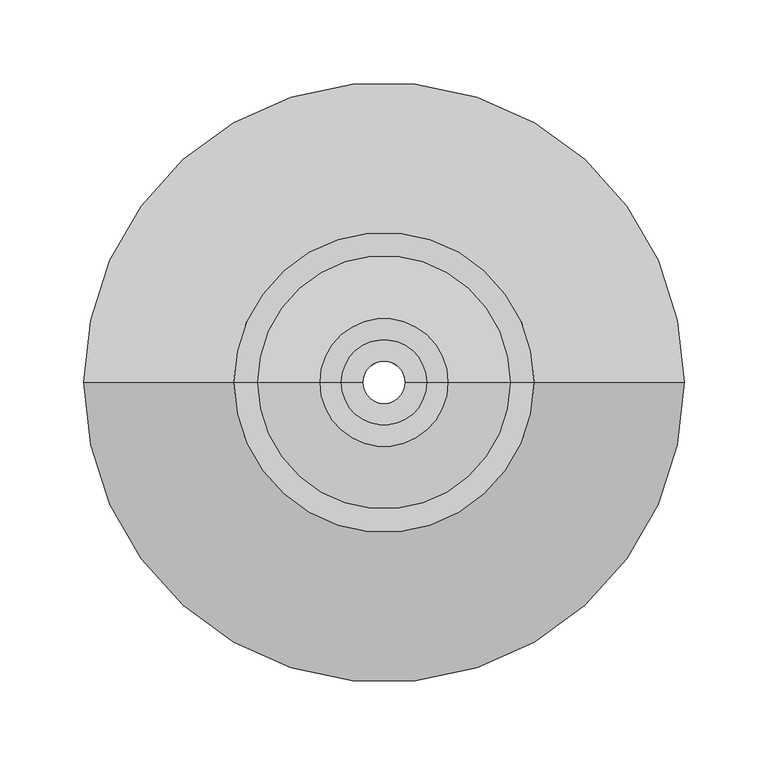
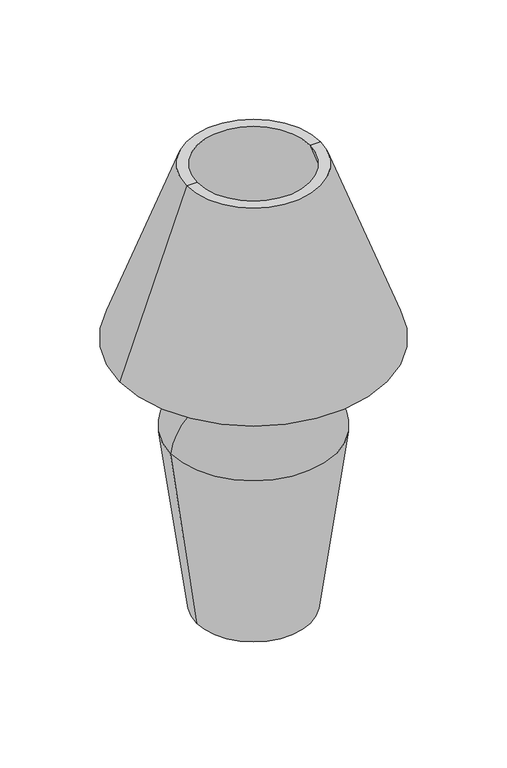
"""IFC4 building model written with IfcOpenShell, lengths in millimetres: light fixture geometry."""

from ifc_helpers import new_model, si_unit, point, frame, origin, origin_with_axes, place, context, project, spatial, polyline, circle_curve, ellipse_curve, trimmed, source, transform, mapped, element, save
from ifc_brep_helpers import plane_surface, cylinder_surface, revolved_surface, advanced_brep


def light_fixture_6e8cd8b1(model_context):
    return source(origin(), model_context, "Body", "AdvancedBrep", [
        advanced_brep(
        [(-164.7317588, 0.0, 376.8232721), (164.7317588, 0.0, 376.8232721), (75.4334235, 0.0, 622.168432), (-75.4334235, 0.0, 622.168432), (-178.6712043, 0.0, 376.8232721), (178.6712043, 0.0, 376.8232721), (-89.372869, 0.0, 622.168432), (89.372869, 0.0, 622.168432)],
        [
            (0, 1, circle_curve(frame((0.0, 0.0, 376.8232721), z_axis=(0.0, 0.0, -1.0), x_axis=(1.0, 0.0, 0.0)), 164.7317588)),
            (1, 2),
            (2, 3, circle_curve(frame((0.0, 0.0, 622.168432), z_axis=(0.0, 0.0, 1.0), x_axis=(1.0, 0.0, 0.0)), 75.4334235)),
            (3, 0),
            (1, 0, circle_curve(frame((0.0, 0.0, 376.8232721), z_axis=(0.0, 0.0, -1.0), x_axis=(1.0, 0.0, 0.0)), 164.7317588)),
            (3, 2, circle_curve(frame((0.0, 0.0, 622.168432), z_axis=(0.0, 0.0, 1.0), x_axis=(1.0, 0.0, 0.0)), 75.4334235)),
            (4, 5, circle_curve(frame((0.0, 0.0, 376.8232721), z_axis=(0.0, 0.0, -1.0), x_axis=(1.0, 0.0, 0.0)), 178.6712043)),
            (5, 1),
            (0, 4),
            (5, 4, circle_curve(frame((0.0, 0.0, 376.8232721), z_axis=(0.0, 0.0, -1.0), x_axis=(1.0, 0.0, 0.0)), 178.6712043)),
            (6, 7, circle_curve(frame((0.0, 0.0, 622.168432), z_axis=(0.0, 0.0, -1.0), x_axis=(1.0, 0.0, 0.0)), 89.372869)),
            (7, 5),
            (4, 6),
            (7, 6, circle_curve(frame((0.0, 0.0, 622.168432), z_axis=(0.0, 0.0, -1.0), x_axis=(1.0, 0.0, 0.0)), 89.372869)),
            (2, 7),
            (6, 3),
        ],
        [
            revolved_surface(polyline([(75.4334235, 0.0, 622.168432), (164.7317588, 0.0, 376.8232721)]), (0.0, 0.0, 736.6), (0.0, 0.0, 1.0)),
            plane_surface(frame((0.0, 0.0, 376.8232721), z_axis=(0.0, 0.0, -1.0), x_axis=(1.0, 0.0, 0.0))),
            revolved_surface(polyline([(178.6712043, 0.0, 376.8232721), (89.372869, 0.0, 622.168432)]), (0.0, 0.0, 736.6), (0.0, 0.0, 1.0)),
            plane_surface(frame((0.0, 0.0, 622.168432), z_axis=(0.0, 0.0, 1.0), x_axis=(1.0, 0.0, 0.0))),
        ],
        [
            (0, [[1, 2, 3, 4]]),
            (0, [[5, -4, 6, -2]]),
            (1, [[7, 8, -1, 9]]),
            (1, [[10, -9, -5, -8]]),
            (2, [[11, 12, -7, 13]]),
            (2, [[14, -13, -10, -12]]),
            (3, [[-3, 15, -11, 16]]),
            (3, [[-6, -16, -14, -15]]),
        ],
    ),
        advanced_brep(
        [(-25.4, 0.0, 363.9152112), (25.4, 0.0, 363.9152112), (25.4, 0.0, 338.5152112), (-25.4, 0.0, 338.5152112), (-12.7, 0.0, 363.9152112), (12.7, 0.0, 363.9152112), (-12.7, 0.0, 338.5152112), (12.7, 0.0, 338.5152112)],
        [
            (0, 1, circle_curve(frame((0.0, 0.0, 363.9152112), z_axis=(0.0, 0.0, -1.0), x_axis=(1.0, 0.0, 0.0)), 25.4)),
            (1, 2),
            (2, 3, circle_curve(frame((0.0, 0.0, 338.5152112), z_axis=(0.0, 0.0, 1.0), x_axis=(1.0, 0.0, 0.0)), 25.4)),
            (3, 0),
            (1, 0, circle_curve(frame((0.0, 0.0, 363.9152112), z_axis=(0.0, 0.0, -1.0), x_axis=(1.0, 0.0, 0.0)), 25.4)),
            (3, 2, circle_curve(frame((0.0, 0.0, 338.5152112), z_axis=(0.0, 0.0, 1.0), x_axis=(1.0, 0.0, 0.0)), 25.4)),
            (4, 5, circle_curve(frame((0.0, 0.0, 363.9152112), z_axis=(0.0, 0.0, -1.0), x_axis=(1.0, 0.0, 0.0)), 12.7)),
            (5, 1),
            (0, 4),
            (5, 4, circle_curve(frame((0.0, 0.0, 363.9152112), z_axis=(0.0, 0.0, -1.0), x_axis=(1.0, 0.0, 0.0)), 12.7)),
            (6, 7, circle_curve(frame((0.0, 0.0, 338.5152112), z_axis=(0.0, 0.0, -1.0), x_axis=(1.0, 0.0, 0.0)), 12.7)),
            (7, 5),
            (4, 6),
            (7, 6, circle_curve(frame((0.0, 0.0, 338.5152112), z_axis=(0.0, 0.0, -1.0), x_axis=(1.0, 0.0, 0.0)), 12.7)),
            (2, 7),
            (6, 3),
        ],
        [
            cylinder_surface(frame((0.0, 0.0, 457.2), z_axis=(0.0, 0.0, 1.0), x_axis=(1.0, 0.0, 0.0)), 25.4),
            plane_surface(frame((0.0, 0.0, 363.9152112), z_axis=(0.0, 0.0, 1.0), x_axis=(1.0, 0.0, 0.0))),
            revolved_surface(polyline([(12.7, 0.0, 363.9152112), (12.7, 0.0, 338.5152112)]), (0.0, 0.0, 457.2), (0.0, 0.0, 1.0)),
            plane_surface(frame((0.0, 0.0, 338.5152112), z_axis=(0.0, 0.0, -1.0), x_axis=(1.0, 0.0, 0.0))),
        ],
        [
            (0, [[1, 2, 3, 4]]),
            (0, [[5, -4, 6, -2]]),
            (1, [[7, 8, -1, 9]]),
            (1, [[10, -9, -5, -8]]),
            (2, [[11, 12, -7, 13]]),
            (2, [[14, -13, -10, -12]]),
            (3, [[-3, 15, -11, 16]]),
            (3, [[-6, -16, -14, -15]]),
        ],
    ),
        advanced_brep(
        [(-38.1, 0.0, 300.4152112), (38.1, 0.0, 300.4152112), (12.7, 0.0, 300.4152112), (-12.7, 0.0, 300.4152112), (-38.1, 0.0, 338.5152112), (38.1, 0.0, 338.5152112), (-12.7, 0.0, 338.5152112), (12.7, 0.0, 338.5152112)],
        [
            (0, 1, circle_curve(frame((0.0, 0.0, 300.4152112), z_axis=(0.0, 0.0, -1.0), x_axis=(1.0, 0.0, 0.0)), 38.1)),
            (1, 2),
            (2, 3, circle_curve(frame((0.0, 0.0, 300.4152112), z_axis=(0.0, 0.0, 1.0), x_axis=(1.0, 0.0, 0.0)), 12.7)),
            (3, 0),
            (1, 0, circle_curve(frame((0.0, 0.0, 300.4152112), z_axis=(0.0, 0.0, -1.0), x_axis=(1.0, 0.0, 0.0)), 38.1)),
            (3, 2, circle_curve(frame((0.0, 0.0, 300.4152112), z_axis=(0.0, 0.0, 1.0), x_axis=(1.0, 0.0, 0.0)), 12.7)),
            (4, 5, circle_curve(frame((0.0, 0.0, 338.5152112), z_axis=(0.0, 0.0, -1.0), x_axis=(1.0, 0.0, 0.0)), 38.1)),
            (5, 1),
            (0, 4),
            (5, 4, circle_curve(frame((0.0, 0.0, 338.5152112), z_axis=(0.0, 0.0, -1.0), x_axis=(1.0, 0.0, 0.0)), 38.1)),
            (6, 7, circle_curve(frame((0.0, 0.0, 338.5152112), z_axis=(0.0, 0.0, -1.0), x_axis=(1.0, 0.0, 0.0)), 12.7)),
            (7, 5),
            (4, 6),
            (7, 6, circle_curve(frame((0.0, 0.0, 338.5152112), z_axis=(0.0, 0.0, -1.0), x_axis=(1.0, 0.0, 0.0)), 12.7)),
            (2, 7),
            (6, 3),
        ],
        [
            plane_surface(frame((0.0, 0.0, 300.4152112), z_axis=(0.0, 0.0, -1.0), x_axis=(1.0, 0.0, 0.0))),
            cylinder_surface(frame((0.0, 0.0, 431.8), z_axis=(0.0, 0.0, 1.0), x_axis=(1.0, 0.0, 0.0)), 38.1),
            plane_surface(frame((0.0, 0.0, 338.5152112), z_axis=(0.0, 0.0, 1.0), x_axis=(1.0, 0.0, 0.0))),
            revolved_surface(polyline([(12.7, 0.0, 338.5152112), (12.7, 0.0, 300.4152112)]), (0.0, 0.0, 431.8), (0.0, 0.0, 1.0)),
        ],
        [
            (0, [[1, 2, 3, 4]]),
            (0, [[5, -4, 6, -2]]),
            (1, [[7, 8, -1, 9]]),
            (1, [[10, -9, -5, -8]]),
            (2, [[11, 12, -7, 13]]),
            (2, [[14, -13, -10, -12]]),
            (3, [[-3, 15, -11, 16]]),
            (3, [[-6, -16, -14, -15]]),
        ],
    ),
        advanced_brep(
        [(-110.728718, 0.0, 251.659832), (110.728718, 0.0, 251.659832), (76.2, 0.0, 0.0), (-76.2, 0.0, 0.0), (-38.1, 0.0, 310.9616106), (38.1, 0.0, 310.9616106), (-38.1, 0.0, 300.4152112), (38.1, 0.0, 300.4152112), (-98.1869356, 0.0, 253.725236), (98.1869356, 0.0, 253.725236), (-65.5434347, 0.0, 12.7), (65.5434347, 0.0, 12.7), (-12.7, 0.0, 12.7), (12.7, 0.0, 12.7), (-12.7, 0.0, 0.0), (12.7, 0.0, 0.0)],
        [
            (0, 1, circle_curve(frame((0.0, 0.0, 251.659832), z_axis=(0.0, 0.0, -1.0), x_axis=(1.0, 0.0, 0.0)), 110.728718)),
            (1, 2),
            (2, 3, circle_curve(origin_with_axes(), 76.2)),
            (3, 0),
            (1, 0, circle_curve(frame((0.0, 0.0, 251.659832), z_axis=(0.0, 0.0, -1.0), x_axis=(1.0, 0.0, 0.0)), 110.728718)),
            (3, 2, circle_curve(origin_with_axes(), 76.2)),
            (4, 5, circle_curve(frame((0.0, 0.0, 310.9616106), z_axis=(0.0, 0.0, -1.0), x_axis=(1.0, 0.0, 0.0)), 38.1)),
            (5, 1, circle_curve(frame((44.5301031, 0.0, 244.710551), z_axis=(0.0, 1.0, 0.0), x_axis=(1.0, 0.0, 0.0)), 66.5623702)),
            (0, 4, circle_curve(frame((-44.5301031, 0.0, 244.710551), z_axis=(0.0, 1.0, 0.0), x_axis=(-1.0, 0.0, 0.0)), 66.5623702)),
            (5, 4, circle_curve(frame((0.0, 0.0, 310.9616106), z_axis=(0.0, 0.0, -1.0), x_axis=(1.0, 0.0, 0.0)), 38.1)),
            (6, 7, circle_curve(frame((0.0, 0.0, 300.4152112), z_axis=(0.0, 0.0, -1.0), x_axis=(1.0, 0.0, 0.0)), 38.1)),
            (7, 5),
            (4, 6),
            (7, 6, circle_curve(frame((0.0, 0.0, 300.4152112), z_axis=(0.0, 0.0, -1.0), x_axis=(1.0, 0.0, 0.0)), 38.1)),
            (8, 9, circle_curve(frame((0.0, 0.0, 253.725236), z_axis=(0.0, 0.0, -1.0), x_axis=(1.0, 0.0, 0.0)), 98.1869356)),
            (9, 7, circle_curve(frame((44.5301031, 0.0, 246.6813721), z_axis=(0.0, -1.0, 0.0), x_axis=(1.0, 0.0, 0.0)), 54.1172033)),
            (6, 8, circle_curve(frame((-44.5301031, 0.0, 246.6813721), z_axis=(0.0, -1.0, 0.0), x_axis=(-1.0, 0.0, 0.0)), 54.1172033)),
            (9, 8, circle_curve(frame((0.0, 0.0, 253.725236), z_axis=(0.0, 0.0, -1.0), x_axis=(1.0, 0.0, 0.0)), 98.1869356)),
            (10, 11, circle_curve(frame((0.0, 0.0, 12.7), z_axis=(0.0, 0.0, -1.0), x_axis=(1.0, 0.0, 0.0)), 65.5434347)),
            (11, 9),
            (8, 10),
            (11, 10, circle_curve(frame((0.0, 0.0, 12.7), z_axis=(0.0, 0.0, -1.0), x_axis=(1.0, 0.0, 0.0)), 65.5434347)),
            (12, 13, circle_curve(frame((0.0, 0.0, 12.7), z_axis=(0.0, 0.0, -1.0), x_axis=(1.0, 0.0, 0.0)), 12.7)),
            (13, 11),
            (10, 12),
            (13, 12, circle_curve(frame((0.0, 0.0, 12.7), z_axis=(0.0, 0.0, -1.0), x_axis=(1.0, 0.0, 0.0)), 12.7)),
            (14, 15, circle_curve(frame((0.0, 0.0, 0.0), z_axis=(0.0, 0.0, -1.0), x_axis=(1.0, 0.0, 0.0)), 12.7)),
            (15, 13),
            (12, 14),
            (15, 14, circle_curve(frame((0.0, 0.0, 0.0), z_axis=(0.0, 0.0, -1.0), x_axis=(1.0, 0.0, 0.0)), 12.7)),
            (2, 15),
            (14, 3),
        ],
        [
            revolved_surface(polyline([(76.2, 0.0, 0.0), (110.728718, 0.0, 251.659832)]), (0.0, 0.0, -50.8), (0.0, 0.0, 1.0)),
            revolved_surface(trimmed(ellipse_curve(frame((44.5301031, 0.0, 244.710551), z_axis=(0.0, -1.0, 0.0), x_axis=(1.0, 0.0, 0.0)), 66.5623702, 66.5623702), [point((110.728718, 0.0, 251.659832))], [point((38.1, 0.0, 310.9616106))], True, "CARTESIAN"), (0.0, 0.0, -50.8), (0.0, 0.0, 1.0)),
            revolved_surface(polyline([(38.1, 0.0, 310.9616106), (38.1, 0.0, 300.4152112)]), (0.0, 0.0, -50.8), (0.0, 0.0, 1.0)),
            revolved_surface(trimmed(ellipse_curve(frame((44.5301031, 0.0, 246.6813721), z_axis=(0.0, 1.0, 0.0), x_axis=(1.0, 0.0, 0.0)), 54.1172033, 54.1172033), [point((38.1, 0.0, 300.4152112))], [point((98.1869356, 0.0, 253.725236))], True, "CARTESIAN"), (0.0, 0.0, -50.8), (0.0, 0.0, 1.0)),
            revolved_surface(polyline([(98.1869356, 0.0, 253.725236), (65.5434347, 0.0, 12.7)]), (0.0, 0.0, -50.8), (0.0, 0.0, 1.0)),
            plane_surface(frame((0.0, 0.0, 12.7), z_axis=(0.0, 0.0, 1.0), x_axis=(1.0, 0.0, 0.0))),
            revolved_surface(polyline([(12.7, 0.0, 12.700000000000003), (12.7, 0.0, 0.0)]), (0.0, 0.0, -50.8), (0.0, 0.0, 1.0)),
            plane_surface(frame((0.0, 0.0, 0.0), z_axis=(0.0, 0.0, -1.0), x_axis=(1.0, 0.0, 0.0))),
        ],
        [
            (0, [[1, 2, 3, 4]]),
            (0, [[5, -4, 6, -2]]),
            (1, [[7, 8, -1, 9]]),
            (1, [[10, -9, -5, -8]]),
            (2, [[11, 12, -7, 13]]),
            (2, [[14, -13, -10, -12]]),
            (3, [[15, 16, -11, 17]]),
            (3, [[18, -17, -14, -16]]),
            (4, [[19, 20, -15, 21]]),
            (4, [[22, -21, -18, -20]]),
            (5, [[23, 24, -19, 25]]),
            (5, [[26, -25, -22, -24]]),
            (6, [[27, 28, -23, 29]]),
            (6, [[30, -29, -26, -28]]),
            (7, [[-3, 31, -27, 32]]),
            (7, [[-6, -32, -30, -31]]),
        ],
    ),
    ])


if __name__ == "__main__":
    model = new_model("IFC4")
    model_context = context("Model", 3, world=origin())
    ifc_project = project(units=[si_unit("LENGTHUNIT", "METRE", prefix="MILLI")], contexts=[model_context])
    site = spatial("IfcSite", under=ifc_project)
    building = spatial("IfcBuilding", under=site)
    placement = place(None, origin())
    light_fixture_shape = light_fixture_6e8cd8b1(model_context)
    element("IfcLightFixture", 1, at=placement, inside=building, context=model_context, shape_type="MappedRepresentation", body=[
        mapped(light_fixture_shape, transform((0.0, 0.0, 0.0), x_axis=(1.0, 0.0, 0.0), y_axis=(0.0, 1.0, 0.0), z_axis=(0.0, 0.0, 1.0))),
    ])
    save(model, "model.ifc")
